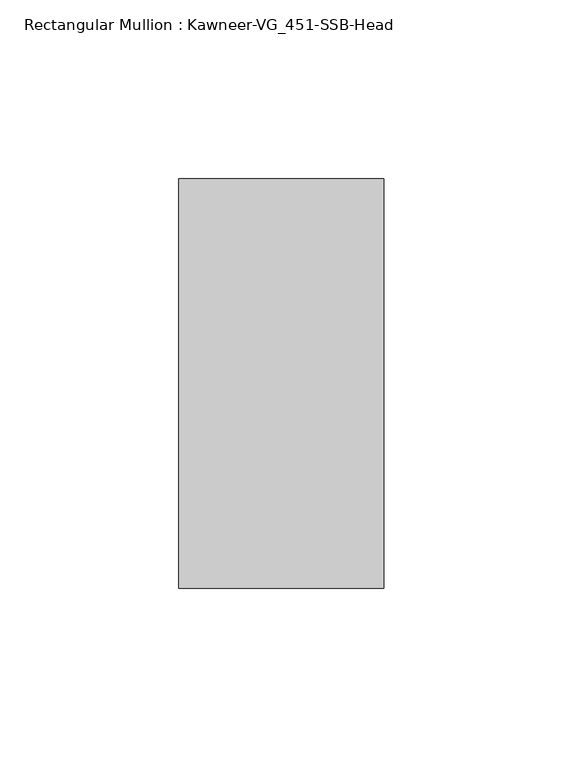
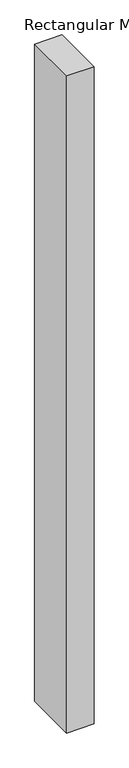
"""IFC4 building model written with IfcOpenShell, lengths in millimetres: member geometry, Rectangular Mullion : Kawneer-VG_451-SSB-Head."""

from ifc_helpers import new_model, si_unit, frame, origin, place, context, project, spatial, polyline, outline, extrude, source, transform, mapped, element, save


def rectangular_mullion_kawneer_vg_451_ssb_head_1aaa4fa9(model_context):
    return source(origin(), model_context, "Body", "SweptSolid", [
        extrude(outline(polyline([(-57.15, -57.15), (-57.15, 57.15), (0.0, 57.15), (0.0, -57.15), (-57.15, -57.15)])), frame((0.0, 0.0, -1441.45), z_axis=(0.0, 0.0, 1.0), x_axis=(1.0, 0.0, 0.0)), (0.0, 0.0, 1.0), 1441.45),
    ])


if __name__ == "__main__":
    model = new_model("IFC4")
    model_context = context("Model", 3, world=origin())
    ifc_project = project(units=[si_unit("LENGTHUNIT", "METRE", prefix="MILLI")], contexts=[model_context])
    site = spatial("IfcSite", under=ifc_project)
    building = spatial("IfcBuilding", under=site)
    placement = place(None, origin())
    rectangular_mullion_kawneer_vg_451_ssb_head_shape = rectangular_mullion_kawneer_vg_451_ssb_head_1aaa4fa9(model_context)
    element("IfcMember", 1, ObjectType="Rectangular Mullion : Kawneer-VG_451-SSB-Head", at=placement, inside=building, context=model_context, shape_type="MappedRepresentation", body=[
        mapped(rectangular_mullion_kawneer_vg_451_ssb_head_shape, transform((0.0, 0.0, 0.0), x_axis=(1.0, 0.0, 0.0), y_axis=(0.0, 1.0, 0.0), z_axis=(0.0, 0.0, 1.0))),
    ])
    save(model, "model.ifc")
